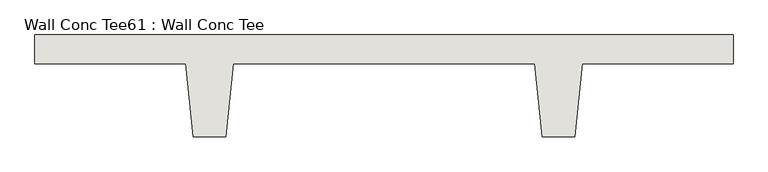
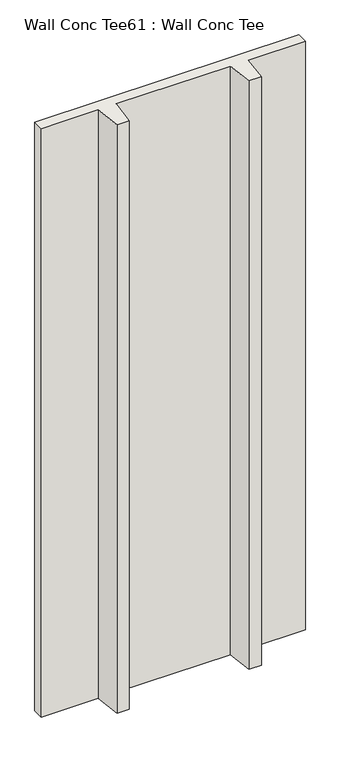
"""IFC4 building model written with IfcOpenShell, lengths in millimetres: wall geometry, Wall Conc Tee61 : Wall Conc Tee."""

from ifc_helpers import new_model, si_unit, frame, origin, place, context, project, spatial, polyline, outline, extrude, source, transform, mapped, element, save


def wall_conc_tee61_wall_conc_tee_95eb9125(model_context):
    return source(origin(), model_context, "Body", "SweptSolid", [
        extrude(outline(polyline([(242304.0728488, 159042.8596581), (244742.4728488, 159042.8596581), (244742.4728488, 158941.2596581), (244215.4228488, 158941.2596581), (244190.0228488, 158687.2596581), (244075.7228488, 158687.2596581), (244050.3228488, 158941.2596581), (242996.2228488, 158941.2596581), (242970.8228488, 158687.2596581), (242856.5228488, 158687.2596581), (242831.1228488, 158941.2596581), (242304.0728488, 158941.2596581), (242304.0728488, 159042.8596581)])), frame((0.0, 0.0, 143.7592564), z_axis=(0.0, 0.0, 1.0), x_axis=(1.0, 0.0, 0.0)), (0.0, 0.0, 1.0), 5740.4),
    ])


if __name__ == "__main__":
    model = new_model("IFC4")
    model_context = context("Model", 3, world=origin())
    ifc_project = project(units=[si_unit("LENGTHUNIT", "METRE", prefix="MILLI")], contexts=[model_context])
    site = spatial("IfcSite", under=ifc_project)
    building = spatial("IfcBuilding", under=site)
    placement = place(None, origin())
    wall_conc_tee61_wall_conc_tee_shape = wall_conc_tee61_wall_conc_tee_95eb9125(model_context)
    element("IfcWall", 1, ObjectType="Wall Conc Tee61 : Wall Conc Tee", at=placement, inside=building, context=model_context, shape_type="MappedRepresentation", body=[
        mapped(wall_conc_tee61_wall_conc_tee_shape, transform((0.0, 0.0, 0.0), x_axis=(1.0, 0.0, 0.0), y_axis=(0.0, 1.0, 0.0), z_axis=(0.0, 0.0, 1.0))),
    ])
    save(model, "model.ifc")
